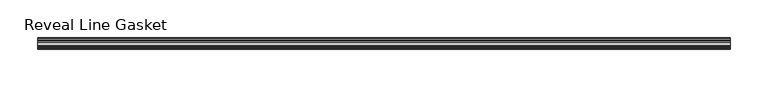
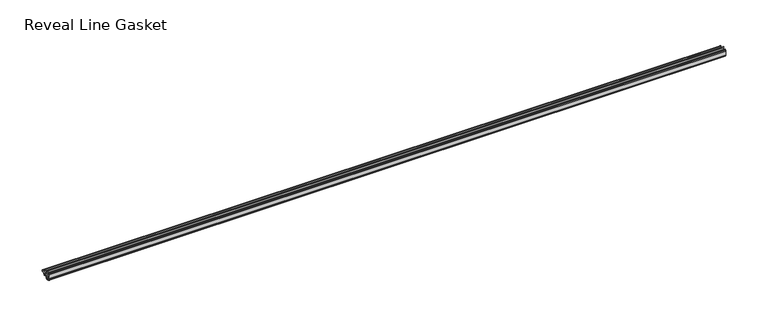
"""IFC4 building model written with IfcOpenShell, lengths in millimetres: furniture geometry, Reveal Line Gasket."""

from ifc_helpers import new_model, si_unit, point, frame, frame_2d, origin, place, context, project, spatial, polyline, circle_curve, trimmed, segment, composite_curve, outline, extrude, source, transform, mapped, element, save


def reveal_line_gasket_2cd7a0fc(model_context):
    return source(origin(), model_context, "Body", "SweptSolid", [
        extrude(outline(composite_curve([segment(polyline([(-7.6326998, 1603.2), (-7.4091917, 1604.1554927), (-6.8813059, 1605.0884684)]), True, "CONTINUOUS"), segment(trimmed(circle_curve(frame_2d((-6.5243141, 1604.8864793)), 0.4101739), [point((-6.8813059, 1605.0884684))], [point((-6.1246704, 1604.7941347))], False, "CARTESIAN"), True, "CONTINUOUS"), segment(polyline([(-6.1246704, 1604.7941347), (-6.3626997, 1603.0979086), (-6.3626997, 1601.0654527)]), True, "CONTINUOUS"), segment(trimmed(circle_curve(frame_2d((-5.6959605, 1601.4819258)), 0.786124), [point((-6.3626997, 1601.0654527))], [point((-5.0926996, 1600.977875))], True, "CARTESIAN"), True, "CONTINUOUS"), segment(polyline([(-5.0926996, 1600.977875), (-0.7492996, 1600.977875), (-3.7293824, 1606.1395295)]), True, "CONTINUOUS"), segment(trimmed(circle_curve(frame_2d((-3.3132479, 1606.2049761)), 0.4212495), [point((-3.7293824, 1606.1395295))], [point((-3.0485022, 1606.5326358))], False, "CARTESIAN"), True, "CONTINUOUS"), segment(polyline([(-3.0485022, 1606.5326358), (0.5742594, 1600.977875), (4.8262978, 1600.977875), (3.1660374, 1603.8535297)]), True, "CONTINUOUS"), segment(trimmed(circle_curve(frame_2d((3.5978728, 1603.9118855)), 0.4357605), [point((3.1660374, 1603.8535297))], [point((3.864328, 1604.2566881))], False, "CARTESIAN"), True, "CONTINUOUS"), segment(polyline([(3.864328, 1604.2566881), (6.1944059, 1600.977875), (7.6326998, 1600.977875), (7.6326998, 1599.422125), (6.1944059, 1599.422125), (3.864328, 1596.1433119)]), True, "CONTINUOUS"), segment(trimmed(circle_curve(frame_2d((3.5978728, 1596.4881145)), 0.4357605), [point((3.864328, 1596.1433119))], [point((3.1660374, 1596.5464703))], False, "CARTESIAN"), True, "CONTINUOUS"), segment(polyline([(3.1660374, 1596.5464703), (4.8262978, 1599.422125), (0.5742594, 1599.422125), (-3.0485022, 1593.8673642)]), True, "CONTINUOUS"), segment(trimmed(circle_curve(frame_2d((-3.3132479, 1594.1950239)), 0.4212495), [point((-3.0485022, 1593.8673642))], [point((-3.7293824, 1594.2604705))], False, "CARTESIAN"), True, "CONTINUOUS"), segment(polyline([(-3.7293824, 1594.2604705), (-0.7492996, 1599.422125), (-5.0926996, 1599.422125)]), True, "CONTINUOUS"), segment(trimmed(circle_curve(frame_2d((-5.6959605, 1598.9180742)), 0.786124), [point((-5.0926996, 1599.422125))], [point((-6.3626997, 1599.3345473))], True, "CARTESIAN"), True, "CONTINUOUS"), segment(polyline([(-6.3626997, 1599.3345473), (-6.3626997, 1597.3020914), (-6.1246704, 1595.6058653)]), True, "CONTINUOUS"), segment(trimmed(circle_curve(frame_2d((-6.5243141, 1595.5135207)), 0.4101739), [point((-6.1246704, 1595.6058653))], [point((-6.8813059, 1595.3115316))], False, "CARTESIAN"), True, "CONTINUOUS"), segment(polyline([(-6.8813059, 1595.3115316), (-7.4091917, 1596.2445073), (-7.6326998, 1597.2), (-7.6326998, 1603.2)]), True, "CONTINUOUS")], self_intersect=False)), frame((-460.6862302, 0.0, 0.0), z_axis=(1.0, 0.0, 0.0), x_axis=(0.0, 1.0, 0.0)), (0.0, 0.0, 1.0), 921.3724603),
    ])


if __name__ == "__main__":
    model = new_model("IFC4")
    model_context = context("Model", 3, world=origin())
    ifc_project = project(units=[si_unit("LENGTHUNIT", "METRE", prefix="MILLI")], contexts=[model_context])
    site = spatial("IfcSite", under=ifc_project)
    building = spatial("IfcBuilding", under=site)
    placement = place(None, origin())
    reveal_line_gasket_shape = reveal_line_gasket_2cd7a0fc(model_context)
    element("IfcFurniture", 1, ObjectType="Reveal Line Gasket", at=placement, inside=building, context=model_context, shape_type="MappedRepresentation", body=[
        mapped(reveal_line_gasket_shape, transform((0.0, 0.0, 0.0), x_axis=(1.0, 0.0, 0.0), y_axis=(0.0, 1.0, 0.0), z_axis=(0.0, 0.0, 1.0))),
    ])
    save(model, "model.ifc")
